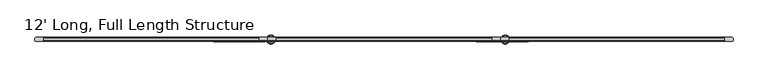
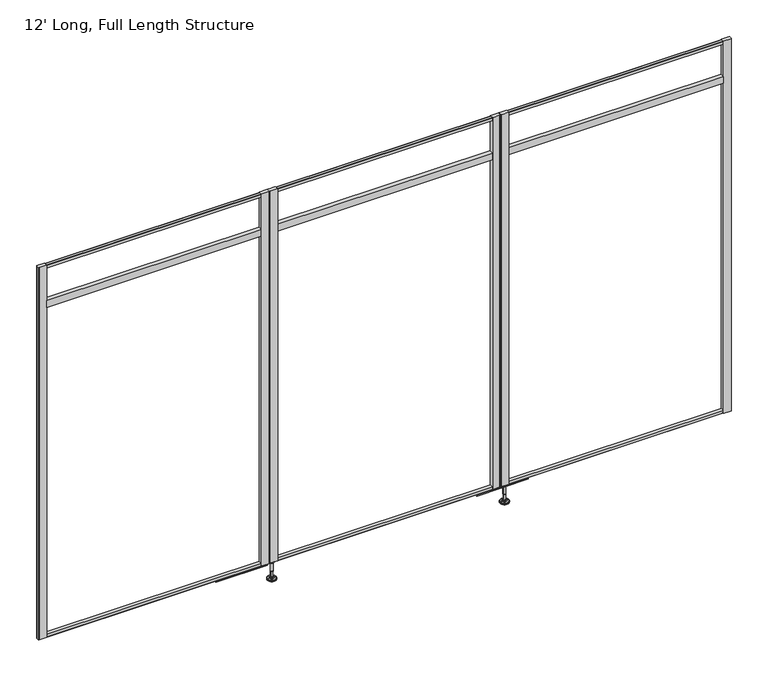
"""IFC4 building model written with IfcOpenShell, lengths in millimetres: furniture geometry, 12' Long, Full Length Structure."""

from ifc_helpers import new_model, si_unit, frame, origin, place, context, project, spatial, polyline, circle_curve, outline, extrude, source, transform, mapped, element, save
from ifc_brep_helpers import plane_surface, cylinder_surface, revolved_surface, advanced_brep


def furniture_12_long_full_length_structure_cdc2f486(model_context):
    return source(origin(), model_context, "Body", "SolidModel", [
        advanced_brep(
        [(1239.0588665, 0.0, 101.6), (1248.0367879, 0.0, 101.6), (1230.0809451, 0.0, 101.6), (1224.9546265, 0.0, 0.0206943), (1253.1631064, 0.0, 0.0206943), (1239.0588665, 0.0, 0.0206943), (1220.0765948, 0.0, 1.4194474), (1258.0411381, 0.0, 1.4194474), (1216.3146798, 0.0, 4.7394056), (1261.8030532, 0.0, 4.7394056), (1215.1972301, 0.0, 7.5051905), (1262.9205028, 0.0, 7.5051905), (1215.1972301, 0.0, 8.3065967), (1262.9205028, 0.0, 8.3065967), (1216.0396333, 0.0, 9.8469348), (1262.0780996, 0.0, 9.8469348), (1217.139776, 0.0, 10.8375077), (1260.977957, 0.0, 10.8375077), (1224.4434712, 0.0, 12.7338946), (1253.6742617, 0.0, 12.7338946), (1231.8616226, 0.0, 13.3828987), (1246.2561104, 0.0, 13.3828987), (1231.8616226, 0.0, 14.1772758), (1246.2561104, 0.0, 14.1772758), (1234.2584154, 0.0, 14.1772758), (1243.8593175, 0.0, 14.1772758), (1234.2584154, 0.0, 18.8098403), (1243.8593175, 0.0, 18.8098403), (1233.2425627, 0.0, 19.8256929), (1244.8751702, 0.0, 19.8256929), (1233.2425627, 0.0, 48.3056352), (1244.8751702, 0.0, 48.3056352), (1232.0190349, 0.0, 49.9293116), (1246.0986981, 0.0, 49.9293116), (1232.0190349, 0.0, 97.327223), (1246.0986981, 0.0, 97.327223), (1231.1379305, 0.0, 97.6479188), (1246.9798025, 0.0, 97.6479188), (1230.0889415, 0.0, 97.6479188), (1248.0287914, 0.0, 97.6479188), (1228.4239116, 0.0, 98.6092242), (1249.6938213, 0.0, 98.6092242), (1228.4239116, 0.0, 100.6043539), (1249.6938213, 0.0, 100.6043539)],
        [
            (0, 1),
            (1, 2, circle_curve(frame((1239.0588665, 0.0, 101.6), z_axis=(0.0, 0.0, 1.0), x_axis=(1.0, 0.0, 0.0)), 8.9779214)),
            (2, 0),
            (2, 1, circle_curve(frame((1239.0588665, 0.0, 101.6), z_axis=(0.0, 0.0, 1.0), x_axis=(1.0, 0.0, 0.0)), 8.9779214)),
            (3, 4, circle_curve(frame((1239.0588665, 0.0, 0.0206943), z_axis=(0.0, 0.0, -1.0), x_axis=(1.0, 0.0, 0.0)), 14.1042399)),
            (4, 5),
            (5, 3),
            (4, 3, circle_curve(frame((1239.0588665, 0.0, 0.0206943), z_axis=(0.0, 0.0, -1.0), x_axis=(1.0, 0.0, 0.0)), 14.1042399)),
            (6, 7, circle_curve(frame((1239.0588665, 0.0, 1.4194474), z_axis=(0.0, 0.0, -1.0), x_axis=(1.0, 0.0, 0.0)), 18.9822717)),
            (7, 4),
            (3, 6),
            (7, 6, circle_curve(frame((1239.0588665, 0.0, 1.4194474), z_axis=(0.0, 0.0, -1.0), x_axis=(1.0, 0.0, 0.0)), 18.9822717)),
            (8, 9, circle_curve(frame((1239.0588665, 0.0, 4.7394056), z_axis=(0.0, 0.0, -1.0), x_axis=(1.0, 0.0, 0.0)), 22.7441867)),
            (9, 7),
            (6, 8),
            (9, 8, circle_curve(frame((1239.0588665, 0.0, 4.7394056), z_axis=(0.0, 0.0, -1.0), x_axis=(1.0, 0.0, 0.0)), 22.7441867)),
            (10, 11, circle_curve(frame((1239.0588665, 0.0, 7.5051905), z_axis=(0.0, 0.0, -1.0), x_axis=(1.0, 0.0, 0.0)), 23.8616363)),
            (11, 9),
            (8, 10),
            (11, 10, circle_curve(frame((1239.0588665, 0.0, 7.5051905), z_axis=(0.0, 0.0, -1.0), x_axis=(1.0, 0.0, 0.0)), 23.8616363)),
            (12, 13, circle_curve(frame((1239.0588665, 0.0, 8.3065967), z_axis=(0.0, 0.0, -1.0), x_axis=(1.0, 0.0, 0.0)), 23.8616363)),
            (13, 11),
            (10, 12),
            (13, 12, circle_curve(frame((1239.0588665, 0.0, 8.3065967), z_axis=(0.0, 0.0, -1.0), x_axis=(1.0, 0.0, 0.0)), 23.8616363)),
            (14, 15, circle_curve(frame((1239.0588665, 0.0, 9.8469348), z_axis=(0.0, 0.0, -1.0), x_axis=(1.0, 0.0, 0.0)), 23.0192331)),
            (15, 13),
            (12, 14),
            (15, 14, circle_curve(frame((1239.0588665, 0.0, 9.8469348), z_axis=(0.0, 0.0, -1.0), x_axis=(1.0, 0.0, 0.0)), 23.0192331)),
            (16, 17, circle_curve(frame((1239.0588665, 0.0, 10.8375077), z_axis=(0.0, 0.0, -1.0), x_axis=(1.0, 0.0, 0.0)), 21.9190905)),
            (17, 15),
            (14, 16),
            (17, 16, circle_curve(frame((1239.0588665, 0.0, 10.8375077), z_axis=(0.0, 0.0, -1.0), x_axis=(1.0, 0.0, 0.0)), 21.9190905)),
            (18, 19, circle_curve(frame((1239.0588665, 0.0, 12.7338946), z_axis=(0.0, 0.0, -1.0), x_axis=(1.0, 0.0, 0.0)), 14.6153953)),
            (19, 17),
            (16, 18),
            (19, 18, circle_curve(frame((1239.0588665, 0.0, 12.7338946), z_axis=(0.0, 0.0, -1.0), x_axis=(1.0, 0.0, 0.0)), 14.6153953)),
            (20, 21, circle_curve(frame((1239.0588665, 0.0, 13.3828987), z_axis=(0.0, 0.0, -1.0), x_axis=(1.0, 0.0, 0.0)), 7.1972439)),
            (21, 19),
            (18, 20),
            (21, 20, circle_curve(frame((1239.0588665, 0.0, 13.3828987), z_axis=(0.0, 0.0, -1.0), x_axis=(1.0, 0.0, 0.0)), 7.1972439)),
            (22, 23, circle_curve(frame((1239.0588665, 0.0, 14.1772758), z_axis=(0.0, 0.0, -1.0), x_axis=(1.0, 0.0, 0.0)), 7.1972439)),
            (23, 21),
            (20, 22),
            (23, 22, circle_curve(frame((1239.0588665, 0.0, 14.1772758), z_axis=(0.0, 0.0, -1.0), x_axis=(1.0, 0.0, 0.0)), 7.1972439)),
            (24, 25, circle_curve(frame((1239.0588665, 0.0, 14.1772758), z_axis=(0.0, 0.0, -1.0), x_axis=(1.0, 0.0, 0.0)), 4.8004511)),
            (25, 23),
            (22, 24),
            (25, 24, circle_curve(frame((1239.0588665, 0.0, 14.1772758), z_axis=(0.0, 0.0, -1.0), x_axis=(1.0, 0.0, 0.0)), 4.8004511)),
            (26, 27, circle_curve(frame((1239.0588665, 0.0, 18.8098403), z_axis=(0.0, 0.0, -1.0), x_axis=(1.0, 0.0, 0.0)), 4.8004511)),
            (27, 25),
            (24, 26),
            (27, 26, circle_curve(frame((1239.0588665, 0.0, 18.8098403), z_axis=(0.0, 0.0, -1.0), x_axis=(1.0, 0.0, 0.0)), 4.8004511)),
            (28, 29, circle_curve(frame((1239.0588665, 0.0, 19.8256929), z_axis=(0.0, 0.0, -1.0), x_axis=(1.0, 0.0, 0.0)), 5.8163037)),
            (29, 27),
            (26, 28),
            (29, 28, circle_curve(frame((1239.0588665, 0.0, 19.8256929), z_axis=(0.0, 0.0, -1.0), x_axis=(1.0, 0.0, 0.0)), 5.8163037)),
            (30, 31, circle_curve(frame((1239.0588665, 0.0, 48.3056352), z_axis=(0.0, 0.0, -1.0), x_axis=(1.0, 0.0, 0.0)), 5.8163037)),
            (31, 29),
            (28, 30),
            (31, 30, circle_curve(frame((1239.0588665, 0.0, 48.3056352), z_axis=(0.0, 0.0, -1.0), x_axis=(1.0, 0.0, 0.0)), 5.8163037)),
            (32, 33, circle_curve(frame((1239.0588665, 0.0, 49.9293116), z_axis=(0.0, 0.0, -1.0), x_axis=(1.0, 0.0, 0.0)), 7.0398316)),
            (33, 31),
            (30, 32),
            (33, 32, circle_curve(frame((1239.0588665, 0.0, 49.9293116), z_axis=(0.0, 0.0, -1.0), x_axis=(1.0, 0.0, 0.0)), 7.0398316)),
            (34, 35, circle_curve(frame((1239.0588665, 0.0, 97.327223), z_axis=(0.0, 0.0, -1.0), x_axis=(1.0, 0.0, 0.0)), 7.0398316)),
            (35, 33),
            (32, 34),
            (35, 34, circle_curve(frame((1239.0588665, 0.0, 97.327223), z_axis=(0.0, 0.0, -1.0), x_axis=(1.0, 0.0, 0.0)), 7.0398316)),
            (36, 37, circle_curve(frame((1239.0588665, 0.0, 97.6479188), z_axis=(0.0, 0.0, -1.0), x_axis=(1.0, 0.0, 0.0)), 7.920936)),
            (37, 35),
            (34, 36),
            (37, 36, circle_curve(frame((1239.0588665, 0.0, 97.6479188), z_axis=(0.0, 0.0, -1.0), x_axis=(1.0, 0.0, 0.0)), 7.920936)),
            (38, 39, circle_curve(frame((1239.0588665, 0.0, 97.6479188), z_axis=(0.0, 0.0, -1.0), x_axis=(1.0, 0.0, 0.0)), 8.9699249)),
            (39, 37),
            (36, 38),
            (39, 38, circle_curve(frame((1239.0588665, 0.0, 97.6479188), z_axis=(0.0, 0.0, -1.0), x_axis=(1.0, 0.0, 0.0)), 8.9699249)),
            (40, 41, circle_curve(frame((1239.0588665, 0.0, 98.6092242), z_axis=(0.0, 0.0, -1.0), x_axis=(1.0, 0.0, 0.0)), 10.6349548)),
            (41, 39),
            (38, 40),
            (41, 40, circle_curve(frame((1239.0588665, 0.0, 98.6092242), z_axis=(0.0, 0.0, -1.0), x_axis=(1.0, 0.0, 0.0)), 10.6349548)),
            (42, 43, circle_curve(frame((1239.0588665, 0.0, 100.6043539), z_axis=(0.0, 0.0, -1.0), x_axis=(1.0, 0.0, 0.0)), 10.6349548)),
            (43, 41),
            (40, 42),
            (43, 42, circle_curve(frame((1239.0588665, 0.0, 100.6043539), z_axis=(0.0, 0.0, -1.0), x_axis=(1.0, 0.0, 0.0)), 10.6349548)),
            (1, 43),
            (42, 2),
        ],
        [
            plane_surface(frame((1239.0588665, 0.0, 101.6), z_axis=(0.0, 0.0, 1.0), x_axis=(1.0, 0.0, 0.0))),
            plane_surface(frame((1239.0588665, 0.0, 0.0206943), z_axis=(0.0, 0.0, -1.0), x_axis=(1.0, 0.0, 0.0))),
            revolved_surface(polyline([(1253.1631064, 0.0, 0.0206943), (1258.0411381, 0.0, 1.4194474)]), (1239.0588665, 0.0, 101.6), (0.0, 0.0, 1.0)),
            revolved_surface(polyline([(1258.0411381, 0.0, 1.4194474), (1261.8030532, 0.0, 4.7394056)]), (1239.0588665, 0.0, 101.6), (0.0, 0.0, 1.0)),
            revolved_surface(polyline([(1261.8030532, 0.0, 4.7394056), (1262.9205028, 0.0, 7.5051905)]), (1239.0588665, 0.0, 101.6), (0.0, 0.0, 1.0)),
            cylinder_surface(frame((1239.0588665, 0.0, 101.6), z_axis=(0.0, 0.0, 1.0), x_axis=(1.0, 0.0, 0.0)), 23.8616363),
            revolved_surface(polyline([(1262.9205028, 0.0, 8.3065967), (1262.0780996, 0.0, 9.8469348)]), (1239.0588665, 0.0, 101.6), (0.0, 0.0, 1.0)),
            revolved_surface(polyline([(1262.0780996, 0.0, 9.8469348), (1260.977957, 0.0, 10.8375077)]), (1239.0588665, 0.0, 101.6), (0.0, 0.0, 1.0)),
            revolved_surface(polyline([(1260.977957, 0.0, 10.8375077), (1253.6742617, 0.0, 12.7338946)]), (1239.0588665, 0.0, 101.6), (0.0, 0.0, 1.0)),
            revolved_surface(polyline([(1253.6742617, 0.0, 12.7338946), (1246.2561104, 0.0, 13.3828987)]), (1239.0588665, 0.0, 101.6), (0.0, 0.0, 1.0)),
            cylinder_surface(frame((1239.0588665, 0.0, 101.6), z_axis=(0.0, 0.0, 1.0), x_axis=(1.0, 0.0, 0.0)), 7.1972439),
            plane_surface(frame((1239.0588665, 0.0, 14.1772758), z_axis=(0.0, 0.0, 1.0), x_axis=(1.0, 0.0, 0.0))),
            cylinder_surface(frame((1239.0588665, 0.0, 101.6), z_axis=(0.0, 0.0, 1.0), x_axis=(1.0, 0.0, 0.0)), 4.8004511),
            revolved_surface(polyline([(1243.8593175, 0.0, 18.8098403), (1244.8751702, 0.0, 19.8256929)]), (1239.0588665, 0.0, 101.6), (0.0, 0.0, 1.0)),
            cylinder_surface(frame((1239.0588665, 0.0, 101.6), z_axis=(0.0, 0.0, 1.0), x_axis=(1.0, 0.0, 0.0)), 5.8163037),
            revolved_surface(polyline([(1244.8751702, 0.0, 48.3056352), (1246.0986981, 0.0, 49.9293116)]), (1239.0588665, 0.0, 101.6), (0.0, 0.0, 1.0)),
            cylinder_surface(frame((1239.0588665, 0.0, 101.6), z_axis=(0.0, 0.0, 1.0), x_axis=(1.0, 0.0, 0.0)), 7.0398316),
            revolved_surface(polyline([(1246.0986981, 0.0, 97.327223), (1246.9798025, 0.0, 97.6479188)]), (1239.0588665, 0.0, 101.6), (0.0, 0.0, 1.0)),
            plane_surface(frame((1239.0588665, 0.0, 97.6479188), z_axis=(0.0, 0.0, -1.0), x_axis=(1.0, 0.0, 0.0))),
            revolved_surface(polyline([(1248.0287914, 0.0, 97.6479188), (1249.6938213, 0.0, 98.6092242)]), (1239.0588665, 0.0, 101.6), (0.0, 0.0, 1.0)),
            cylinder_surface(frame((1239.0588665, 0.0, 101.6), z_axis=(0.0, 0.0, 1.0), x_axis=(1.0, 0.0, 0.0)), 10.6349548),
            revolved_surface(polyline([(1249.6938213, 0.0, 100.6043539), (1248.0367879, 0.0, 101.6)]), (1239.0588665, 0.0, 101.6), (0.0, 0.0, 1.0)),
        ],
        [
            (0, [[1, 2, 3]]),
            (0, [[-3, 4, -1]]),
            (1, [[5, 6, 7]]),
            (1, [[8, -7, -6]]),
            (2, [[9, 10, -5, 11]]),
            (2, [[12, -11, -8, -10]]),
            (3, [[13, 14, -9, 15]]),
            (3, [[16, -15, -12, -14]]),
            (4, [[17, 18, -13, 19]]),
            (4, [[20, -19, -16, -18]]),
            (5, [[21, 22, -17, 23]]),
            (5, [[24, -23, -20, -22]]),
            (6, [[25, 26, -21, 27]]),
            (6, [[28, -27, -24, -26]]),
            (7, [[29, 30, -25, 31]]),
            (7, [[32, -31, -28, -30]]),
            (8, [[33, 34, -29, 35]]),
            (8, [[36, -35, -32, -34]]),
            (9, [[37, 38, -33, 39]]),
            (9, [[40, -39, -36, -38]]),
            (10, [[41, 42, -37, 43]]),
            (10, [[44, -43, -40, -42]]),
            (11, [[45, 46, -41, 47]]),
            (11, [[48, -47, -44, -46]]),
            (12, [[49, 50, -45, 51]]),
            (12, [[52, -51, -48, -50]]),
            (13, [[53, 54, -49, 55]]),
            (13, [[56, -55, -52, -54]]),
            (14, [[57, 58, -53, 59]]),
            (14, [[60, -59, -56, -58]]),
            (15, [[61, 62, -57, 63]]),
            (15, [[64, -63, -60, -62]]),
            (16, [[65, 66, -61, 67]]),
            (16, [[68, -67, -64, -66]]),
            (17, [[69, 70, -65, 71]]),
            (17, [[72, -71, -68, -70]]),
            (18, [[73, 74, -69, 75]]),
            (18, [[76, -75, -72, -74]]),
            (19, [[77, 78, -73, 79]]),
            (19, [[80, -79, -76, -78]]),
            (20, [[81, 82, -77, 83]]),
            (20, [[84, -83, -80, -82]]),
            (21, [[-2, 85, -81, 86]]),
            (21, [[-4, -86, -84, -85]]),
        ],
    ),
        advanced_brep(
        [(2469.9255716, 0.0, 101.6), (2478.903493, 0.0, 101.6), (2460.9476502, 0.0, 101.6), (2484.0298115, 0.0, 0.0206943), (2469.9255716, 0.0, 0.0206943), (2455.8213317, 0.0, 0.0206943), (2488.9078433, 0.0, 1.4194474), (2450.9432999, 0.0, 1.4194474), (2492.6697583, 0.0, 4.7394056), (2447.1813849, 0.0, 4.7394056), (2493.7872079, 0.0, 7.5051905), (2446.0639353, 0.0, 7.5051905), (2493.7872079, 0.0, 8.3065967), (2446.0639353, 0.0, 8.3065967), (2492.9448047, 0.0, 9.8469348), (2446.9063385, 0.0, 9.8469348), (2491.8446621, 0.0, 10.8375077), (2448.0064811, 0.0, 10.8375077), (2484.5409669, 0.0, 12.7338946), (2455.3101763, 0.0, 12.7338946), (2477.1228155, 0.0, 13.3828987), (2462.7283277, 0.0, 13.3828987), (2477.1228155, 0.0, 14.1772758), (2462.7283277, 0.0, 14.1772758), (2474.7260227, 0.0, 14.1772758), (2465.1251205, 0.0, 14.1772758), (2474.7260227, 0.0, 18.8098403), (2465.1251205, 0.0, 18.8098403), (2475.7418753, 0.0, 19.8256929), (2464.1092679, 0.0, 19.8256929), (2475.7418753, 0.0, 48.3056352), (2464.1092679, 0.0, 48.3056352), (2476.9654032, 0.0, 49.9293116), (2462.88574, 0.0, 49.9293116), (2476.9654032, 0.0, 97.327223), (2462.88574, 0.0, 97.327223), (2477.8465076, 0.0, 97.6479188), (2462.0046356, 0.0, 97.6479188), (2478.8954965, 0.0, 97.6479188), (2460.9556467, 0.0, 97.6479188), (2480.5605264, 0.0, 98.6092242), (2459.2906168, 0.0, 98.6092242), (2480.5605264, 0.0, 100.6043539), (2459.2906168, 0.0, 100.6043539)],
        [
            (0, 1),
            (1, 2, circle_curve(frame((2469.9255716, 0.0, 101.6), z_axis=(0.0, 0.0, 1.0), x_axis=(-1.0, 0.0, 0.0)), 8.9779214)),
            (2, 0),
            (2, 1, circle_curve(frame((2469.9255716, 0.0, 101.6), z_axis=(0.0, 0.0, 1.0), x_axis=(-1.0, 0.0, 0.0)), 8.9779214)),
            (3, 4),
            (4, 5),
            (5, 3, circle_curve(frame((2469.9255716, 0.0, 0.0206943), z_axis=(0.0, 0.0, -1.0), x_axis=(-1.0, 0.0, 0.0)), 14.1042399)),
            (3, 5, circle_curve(frame((2469.9255716, 0.0, 0.0206943), z_axis=(0.0, 0.0, -1.0), x_axis=(-1.0, 0.0, 0.0)), 14.1042399)),
            (6, 3),
            (5, 7),
            (7, 6, circle_curve(frame((2469.9255716, 0.0, 1.4194474), z_axis=(0.0, 0.0, -1.0), x_axis=(-1.0, 0.0, 0.0)), 18.9822717)),
            (6, 7, circle_curve(frame((2469.9255716, 0.0, 1.4194474), z_axis=(0.0, 0.0, -1.0), x_axis=(-1.0, 0.0, 0.0)), 18.9822717)),
            (8, 6),
            (7, 9),
            (9, 8, circle_curve(frame((2469.9255716, 0.0, 4.7394056), z_axis=(0.0, 0.0, -1.0), x_axis=(-1.0, 0.0, 0.0)), 22.7441867)),
            (8, 9, circle_curve(frame((2469.9255716, 0.0, 4.7394056), z_axis=(0.0, 0.0, -1.0), x_axis=(-1.0, 0.0, 0.0)), 22.7441867)),
            (10, 8),
            (9, 11),
            (11, 10, circle_curve(frame((2469.9255716, 0.0, 7.5051905), z_axis=(0.0, 0.0, -1.0), x_axis=(-1.0, 0.0, 0.0)), 23.8616363)),
            (10, 11, circle_curve(frame((2469.9255716, 0.0, 7.5051905), z_axis=(0.0, 0.0, -1.0), x_axis=(-1.0, 0.0, 0.0)), 23.8616363)),
            (12, 10),
            (11, 13),
            (13, 12, circle_curve(frame((2469.9255716, 0.0, 8.3065967), z_axis=(0.0, 0.0, -1.0), x_axis=(-1.0, 0.0, 0.0)), 23.8616363)),
            (12, 13, circle_curve(frame((2469.9255716, 0.0, 8.3065967), z_axis=(0.0, 0.0, -1.0), x_axis=(-1.0, 0.0, 0.0)), 23.8616363)),
            (14, 12),
            (13, 15),
            (15, 14, circle_curve(frame((2469.9255716, 0.0, 9.8469348), z_axis=(0.0, 0.0, -1.0), x_axis=(-1.0, 0.0, 0.0)), 23.0192331)),
            (14, 15, circle_curve(frame((2469.9255716, 0.0, 9.8469348), z_axis=(0.0, 0.0, -1.0), x_axis=(-1.0, 0.0, 0.0)), 23.0192331)),
            (16, 14),
            (15, 17),
            (17, 16, circle_curve(frame((2469.9255716, 0.0, 10.8375077), z_axis=(0.0, 0.0, -1.0), x_axis=(-1.0, 0.0, 0.0)), 21.9190905)),
            (16, 17, circle_curve(frame((2469.9255716, 0.0, 10.8375077), z_axis=(0.0, 0.0, -1.0), x_axis=(-1.0, 0.0, 0.0)), 21.9190905)),
            (18, 16),
            (17, 19),
            (19, 18, circle_curve(frame((2469.9255716, 0.0, 12.7338946), z_axis=(0.0, 0.0, -1.0), x_axis=(-1.0, 0.0, 0.0)), 14.6153953)),
            (18, 19, circle_curve(frame((2469.9255716, 0.0, 12.7338946), z_axis=(0.0, 0.0, -1.0), x_axis=(-1.0, 0.0, 0.0)), 14.6153953)),
            (20, 18),
            (19, 21),
            (21, 20, circle_curve(frame((2469.9255716, 0.0, 13.3828987), z_axis=(0.0, 0.0, -1.0), x_axis=(-1.0, 0.0, 0.0)), 7.1972439)),
            (20, 21, circle_curve(frame((2469.9255716, 0.0, 13.3828987), z_axis=(0.0, 0.0, -1.0), x_axis=(-1.0, 0.0, 0.0)), 7.1972439)),
            (22, 20),
            (21, 23),
            (23, 22, circle_curve(frame((2469.9255716, 0.0, 14.1772758), z_axis=(0.0, 0.0, -1.0), x_axis=(-1.0, 0.0, 0.0)), 7.1972439)),
            (22, 23, circle_curve(frame((2469.9255716, 0.0, 14.1772758), z_axis=(0.0, 0.0, -1.0), x_axis=(-1.0, 0.0, 0.0)), 7.1972439)),
            (24, 22),
            (23, 25),
            (25, 24, circle_curve(frame((2469.9255716, 0.0, 14.1772758), z_axis=(0.0, 0.0, -1.0), x_axis=(-1.0, 0.0, 0.0)), 4.8004511)),
            (24, 25, circle_curve(frame((2469.9255716, 0.0, 14.1772758), z_axis=(0.0, 0.0, -1.0), x_axis=(-1.0, 0.0, 0.0)), 4.8004511)),
            (26, 24),
            (25, 27),
            (27, 26, circle_curve(frame((2469.9255716, 0.0, 18.8098403), z_axis=(0.0, 0.0, -1.0), x_axis=(-1.0, 0.0, 0.0)), 4.8004511)),
            (26, 27, circle_curve(frame((2469.9255716, 0.0, 18.8098403), z_axis=(0.0, 0.0, -1.0), x_axis=(-1.0, 0.0, 0.0)), 4.8004511)),
            (28, 26),
            (27, 29),
            (29, 28, circle_curve(frame((2469.9255716, 0.0, 19.8256929), z_axis=(0.0, 0.0, -1.0), x_axis=(-1.0, 0.0, 0.0)), 5.8163037)),
            (28, 29, circle_curve(frame((2469.9255716, 0.0, 19.8256929), z_axis=(0.0, 0.0, -1.0), x_axis=(-1.0, 0.0, 0.0)), 5.8163037)),
            (30, 28),
            (29, 31),
            (31, 30, circle_curve(frame((2469.9255716, 0.0, 48.3056352), z_axis=(0.0, 0.0, -1.0), x_axis=(-1.0, 0.0, 0.0)), 5.8163037)),
            (30, 31, circle_curve(frame((2469.9255716, 0.0, 48.3056352), z_axis=(0.0, 0.0, -1.0), x_axis=(-1.0, 0.0, 0.0)), 5.8163037)),
            (32, 30),
            (31, 33),
            (33, 32, circle_curve(frame((2469.9255716, 0.0, 49.9293116), z_axis=(0.0, 0.0, -1.0), x_axis=(-1.0, 0.0, 0.0)), 7.0398316)),
            (32, 33, circle_curve(frame((2469.9255716, 0.0, 49.9293116), z_axis=(0.0, 0.0, -1.0), x_axis=(-1.0, 0.0, 0.0)), 7.0398316)),
            (34, 32),
            (33, 35),
            (35, 34, circle_curve(frame((2469.9255716, 0.0, 97.327223), z_axis=(0.0, 0.0, -1.0), x_axis=(-1.0, 0.0, 0.0)), 7.0398316)),
            (34, 35, circle_curve(frame((2469.9255716, 0.0, 97.327223), z_axis=(0.0, 0.0, -1.0), x_axis=(-1.0, 0.0, 0.0)), 7.0398316)),
            (36, 34),
            (35, 37),
            (37, 36, circle_curve(frame((2469.9255716, 0.0, 97.6479188), z_axis=(0.0, 0.0, -1.0), x_axis=(-1.0, 0.0, 0.0)), 7.920936)),
            (36, 37, circle_curve(frame((2469.9255716, 0.0, 97.6479188), z_axis=(0.0, 0.0, -1.0), x_axis=(-1.0, 0.0, 0.0)), 7.920936)),
            (38, 36),
            (37, 39),
            (39, 38, circle_curve(frame((2469.9255716, 0.0, 97.6479188), z_axis=(0.0, 0.0, -1.0), x_axis=(-1.0, 0.0, 0.0)), 8.9699249)),
            (38, 39, circle_curve(frame((2469.9255716, 0.0, 97.6479188), z_axis=(0.0, 0.0, -1.0), x_axis=(-1.0, 0.0, 0.0)), 8.9699249)),
            (40, 38),
            (39, 41),
            (41, 40, circle_curve(frame((2469.9255716, 0.0, 98.6092242), z_axis=(0.0, 0.0, -1.0), x_axis=(-1.0, 0.0, 0.0)), 10.6349548)),
            (40, 41, circle_curve(frame((2469.9255716, 0.0, 98.6092242), z_axis=(0.0, 0.0, -1.0), x_axis=(-1.0, 0.0, 0.0)), 10.6349548)),
            (42, 40),
            (41, 43),
            (43, 42, circle_curve(frame((2469.9255716, 0.0, 100.6043539), z_axis=(0.0, 0.0, -1.0), x_axis=(-1.0, 0.0, 0.0)), 10.6349548)),
            (42, 43, circle_curve(frame((2469.9255716, 0.0, 100.6043539), z_axis=(0.0, 0.0, -1.0), x_axis=(-1.0, 0.0, 0.0)), 10.6349548)),
            (1, 42),
            (43, 2),
        ],
        [
            plane_surface(frame((2469.9255716, 0.0, 101.6), z_axis=(0.0, 0.0, 1.0), x_axis=(-1.0, 0.0, 0.0))),
            plane_surface(frame((2469.9255716, 0.0, 0.0206943), z_axis=(0.0, 0.0, -1.0), x_axis=(-1.0, 0.0, 0.0))),
            revolved_surface(polyline([(2455.8213317, 0.0, 0.0206943), (2450.9432999, 0.0, 1.4194474)]), (2469.9255716, 0.0, 101.6), (0.0, 0.0, 1.0)),
            revolved_surface(polyline([(2450.9432999, 0.0, 1.4194474), (2447.1813849, 0.0, 4.7394056)]), (2469.9255716, 0.0, 101.6), (0.0, 0.0, 1.0)),
            revolved_surface(polyline([(2447.1813849, 0.0, 4.7394056), (2446.0639353, 0.0, 7.5051905)]), (2469.9255716, 0.0, 101.6), (0.0, 0.0, 1.0)),
            cylinder_surface(frame((2469.9255716, 0.0, 101.6), z_axis=(0.0, 0.0, 1.0), x_axis=(-1.0, 0.0, 0.0)), 23.8616363),
            revolved_surface(polyline([(2446.0639353, 0.0, 8.3065967), (2446.9063385, 0.0, 9.8469348)]), (2469.9255716, 0.0, 101.6), (0.0, 0.0, 1.0)),
            revolved_surface(polyline([(2446.9063385, 0.0, 9.8469348), (2448.0064811, 0.0, 10.8375077)]), (2469.9255716, 0.0, 101.6), (0.0, 0.0, 1.0)),
            revolved_surface(polyline([(2448.0064811, 0.0, 10.8375077), (2455.3101763, 0.0, 12.7338946)]), (2469.9255716, 0.0, 101.6), (0.0, 0.0, 1.0)),
            revolved_surface(polyline([(2455.3101763, 0.0, 12.7338946), (2462.7283277, 0.0, 13.3828987)]), (2469.9255716, 0.0, 101.6), (0.0, 0.0, 1.0)),
            cylinder_surface(frame((2469.9255716, 0.0, 101.6), z_axis=(0.0, 0.0, 1.0), x_axis=(-1.0, 0.0, 0.0)), 7.1972439),
            plane_surface(frame((2469.9255716, 0.0, 14.1772758), z_axis=(0.0, 0.0, 1.0), x_axis=(-1.0, 0.0, 0.0))),
            cylinder_surface(frame((2469.9255716, 0.0, 101.6), z_axis=(0.0, 0.0, 1.0), x_axis=(-1.0, 0.0, 0.0)), 4.8004511),
            revolved_surface(polyline([(2465.1251205, 0.0, 18.8098403), (2464.1092679, 0.0, 19.8256929)]), (2469.9255716, 0.0, 101.6), (0.0, 0.0, 1.0)),
            cylinder_surface(frame((2469.9255716, 0.0, 101.6), z_axis=(0.0, 0.0, 1.0), x_axis=(-1.0, 0.0, 0.0)), 5.8163037),
            revolved_surface(polyline([(2464.1092679, 0.0, 48.3056352), (2462.88574, 0.0, 49.9293116)]), (2469.9255716, 0.0, 101.6), (0.0, 0.0, 1.0)),
            cylinder_surface(frame((2469.9255716, 0.0, 101.6), z_axis=(0.0, 0.0, 1.0), x_axis=(-1.0, 0.0, 0.0)), 7.0398316),
            revolved_surface(polyline([(2462.88574, 0.0, 97.327223), (2462.0046356, 0.0, 97.6479188)]), (2469.9255716, 0.0, 101.6), (0.0, 0.0, 1.0)),
            plane_surface(frame((2469.9255716, 0.0, 97.6479188), z_axis=(0.0, 0.0, -1.0), x_axis=(-1.0, 0.0, 0.0))),
            revolved_surface(polyline([(2460.9556467, 0.0, 97.6479188), (2459.2906168, 0.0, 98.6092242)]), (2469.9255716, 0.0, 101.6), (0.0, 0.0, 1.0)),
            cylinder_surface(frame((2469.9255716, 0.0, 101.6), z_axis=(0.0, 0.0, 1.0), x_axis=(-1.0, 0.0, 0.0)), 10.6349548),
            revolved_surface(polyline([(2459.2906168, 0.0, 100.6043539), (2460.9476502, 0.0, 101.6)]), (2469.9255716, 0.0, 101.6), (0.0, 0.0, 1.0)),
        ],
        [
            (0, [[1, 2, 3]]),
            (0, [[-3, 4, -1]]),
            (1, [[5, 6, 7]]),
            (1, [[-6, -5, 8]]),
            (2, [[9, -7, 10, 11]]),
            (2, [[-10, -8, -9, 12]]),
            (3, [[13, -11, 14, 15]]),
            (3, [[-14, -12, -13, 16]]),
            (4, [[17, -15, 18, 19]]),
            (4, [[-18, -16, -17, 20]]),
            (5, [[21, -19, 22, 23]]),
            (5, [[-22, -20, -21, 24]]),
            (6, [[25, -23, 26, 27]]),
            (6, [[-26, -24, -25, 28]]),
            (7, [[29, -27, 30, 31]]),
            (7, [[-30, -28, -29, 32]]),
            (8, [[33, -31, 34, 35]]),
            (8, [[-34, -32, -33, 36]]),
            (9, [[37, -35, 38, 39]]),
            (9, [[-38, -36, -37, 40]]),
            (10, [[41, -39, 42, 43]]),
            (10, [[-42, -40, -41, 44]]),
            (11, [[45, -43, 46, 47]]),
            (11, [[-46, -44, -45, 48]]),
            (12, [[49, -47, 50, 51]]),
            (12, [[-50, -48, -49, 52]]),
            (13, [[53, -51, 54, 55]]),
            (13, [[-54, -52, -53, 56]]),
            (14, [[57, -55, 58, 59]]),
            (14, [[-58, -56, -57, 60]]),
            (15, [[61, -59, 62, 63]]),
            (15, [[-62, -60, -61, 64]]),
            (16, [[65, -63, 66, 67]]),
            (16, [[-66, -64, -65, 68]]),
            (17, [[69, -67, 70, 71]]),
            (17, [[-70, -68, -69, 72]]),
            (18, [[73, -71, 74, 75]]),
            (18, [[-74, -72, -73, 76]]),
            (19, [[77, -75, 78, 79]]),
            (19, [[-78, -76, -77, 80]]),
            (20, [[81, -79, 82, 83]]),
            (20, [[-82, -80, -81, 84]]),
            (21, [[85, -83, 86, -2]]),
            (21, [[-86, -84, -85, -4]]),
        ],
    ),
        extrude(outline(polyline([(1178.4191837, 10.5559997), (1217.1941788, 10.5559997), (1219.4740905, 9.6109027), (1220.4192, 7.3310001), (1220.4192, -7.3310001), (1219.4740905, -9.6109027), (1217.1941788, -10.5559997), (1178.4191837, -10.5559997), (1178.4191837, 10.5559997)])), frame((0.0, 0.0, 103.4818084), z_axis=(0.0, 0.0, 1.0), x_axis=(1.0, 0.0, 0.0)), (0.0, 0.0, 1.0), 2081.3499916),
        extrude(outline(polyline([(1264.7791837, 10.5559997), (1264.7791837, -10.5559997), (1226.0041886, -10.5559997), (1223.7242768, -9.6109027), (1222.7791674, -7.3310001), (1222.7791674, 7.3310001), (1223.7242768, 9.6109027), (1226.0041886, 10.5559997), (1264.7791837, 10.5559997)])), frame((0.0, 0.0, 103.4818084), z_axis=(0.0, 0.0, 1.0), x_axis=(1.0, 0.0, 0.0)), (0.0, 0.0, 1.0), 2081.3499916),
        extrude(outline(polyline([(2487.8168163, 10.5559997), (2487.8168163, -10.5559997), (2449.0418212, -10.5559997), (2446.7619095, -9.6109027), (2445.8168, -7.3310001), (2445.8168, 7.3310001), (2446.7619095, 9.6109027), (2449.0418212, 10.5559997), (2487.8168163, 10.5559997)])), frame((0.0, 0.0, 103.4818084), z_axis=(0.0, 0.0, 1.0), x_axis=(1.0, 0.0, 0.0)), (0.0, 0.0, 1.0), 2081.3499916),
        extrude(outline(polyline([(2401.4568163, 10.5559997), (2440.2318114, 10.5559997), (2442.5117232, 9.6109027), (2443.4568326, 7.3310001), (2443.4568326, -7.3310001), (2442.5117232, -9.6109027), (2440.2318114, -10.5559997), (2401.4568163, -10.5559997), (2401.4568163, 10.5559997)])), frame((0.0, 0.0, 103.4818084), z_axis=(0.0, 0.0, 1.0), x_axis=(1.0, 0.0, 0.0)), (0.0, 0.0, 1.0), 2081.3499916),
        extrude(outline(polyline([(1209.3067, 12.2069997), (1209.3067, -12.2069997), (935.6742565, -12.2069997), (935.6742565, 12.2069997), (1209.3067, 12.2069997)])), frame((0.0, 0.0, 97.327223), z_axis=(0.0, 0.0, 1.0), x_axis=(1.0, 0.0, 0.0)), (0.0, 0.0, 1.0), 3.8128244),
        extrude(outline(polyline([(2316.5327945, 12.2069997), (2590.1652381, 12.2069997), (2590.1652381, -12.2069997), (2316.5327945, -12.2069997), (2316.5327945, 12.2069997)])), frame((0.0, 0.0, 97.327223), z_axis=(0.0, 0.0, 1.0), x_axis=(1.0, 0.0, 0.0)), (0.0, 0.0, 1.0), 3.8128244),
        extrude(outline(polyline([(3622.929, 10.5559997), (3622.929, -10.5559997), (2487.8168163, -10.5559997), (2487.8168163, 10.5559997), (3622.929, 10.5559997)])), frame((0.0, 0.0, 1949.2990402), z_axis=(0.0, 0.0, 1.0), x_axis=(1.0, 0.0, 0.0)), (0.0, 0.0, 1.0), 38.1),
        extrude(outline(polyline([(43.1799273, -10.5559997), (43.1799273, 10.5559997), (1178.4191837, 10.5559997), (1178.4191837, -10.5559997), (43.1799273, -10.5559997)])), frame((0.0, 0.0, 1949.2990402), z_axis=(0.0, 0.0, 1.0), x_axis=(1.0, 0.0, 0.0)), (0.0, 0.0, 1.0), 38.1),
        extrude(outline(polyline([(1264.7791837, -10.5559997), (1264.7791837, 10.5559997), (2401.4568163, 10.5559997), (2401.4568163, -10.5559997), (1264.7791837, -10.5559997)])), frame((0.0, 0.0, 1949.2990402), z_axis=(0.0, 0.0, 1.0), x_axis=(1.0, 0.0, 0.0)), (0.0, 0.0, 1.0), 38.1),
        extrude(outline(polyline([(-8.9429997, 2166.849753), (-8.9429997, 2180.8497706), (-8.0643203, 2182.9710074), (-5.943, 2183.8497328), (5.943, 2183.8497328), (8.0643203, 2182.9710074), (8.9429997, 2180.8497706), (8.9429997, 2166.849753), (-8.9429997, 2166.849753)])), frame((43.1799273, 0.0, 0.0), z_axis=(1.0, 0.0, 0.0), x_axis=(0.0, 1.0, 0.0)), (0.0, 0.0, 1.0), 3579.7490727),
        extrude(outline(polyline([(43.1799273, 10.5559997), (43.1799273, -10.5559997), (3.2032054, -10.5559997), (0.9232937, -9.6109027), (-0.0218157, -7.3310001), (-0.0218157, 7.3310001), (0.9232937, 9.6109027), (3.2032054, 10.5559997), (43.1799273, 10.5559997)])), frame((0.0, 0.0, 101.6), z_axis=(0.0, 0.0, 1.0), x_axis=(1.0, 0.0, 0.0)), (0.0, 0.0, 1.0), 2083.2318),
        extrude(outline(polyline([(3622.929, 10.5559997), (3663.1264304, 10.5559997), (3665.4063784, 9.6109027), (3666.236, 7.6093626), (3666.236, -7.6093626), (3665.4063784, -9.6109027), (3663.1264304, -10.5559997), (3622.929, -10.5559997), (3622.929, 10.5559997)])), frame((0.0, 0.0, 101.6), z_axis=(0.0, 0.0, 1.0), x_axis=(1.0, 0.0, 0.0)), (0.0, 0.0, 1.0), 2083.2318),
        extrude(outline(polyline([(-8.9429997, 118.1400272), (8.9429997, 118.1400272), (8.9429997, 104.1400097), (8.0643203, 102.0187729), (5.943, 101.1400475), (-5.943, 101.1400475), (-8.0643203, 102.0187729), (-8.9429997, 104.1400097), (-8.9429997, 118.1400272)])), frame((43.1799273, 0.0, 0.0), z_axis=(1.0, 0.0, 0.0), x_axis=(0.0, 1.0, 0.0)), (0.0, 0.0, 1.0), 3579.7490727),
    ])


if __name__ == "__main__":
    model = new_model("IFC4")
    model_context = context("Model", 3, world=origin())
    ifc_project = project(units=[si_unit("LENGTHUNIT", "METRE", prefix="MILLI")], contexts=[model_context])
    site = spatial("IfcSite", under=ifc_project)
    building = spatial("IfcBuilding", under=site)
    placement = place(None, origin())
    furniture_12_long_full_length_structure_shape = furniture_12_long_full_length_structure_cdc2f486(model_context)
    element("IfcFurniture", 1, ObjectType="12' Long, Full Length Structure", at=placement, inside=building, context=model_context, shape_type="MappedRepresentation", body=[
        mapped(furniture_12_long_full_length_structure_shape, transform((0.0, 0.0, 0.0), x_axis=(1.0, 0.0, 0.0), y_axis=(0.0, 1.0, 0.0), z_axis=(0.0, 0.0, 1.0))),
    ])
    save(model, "model.ifc")
